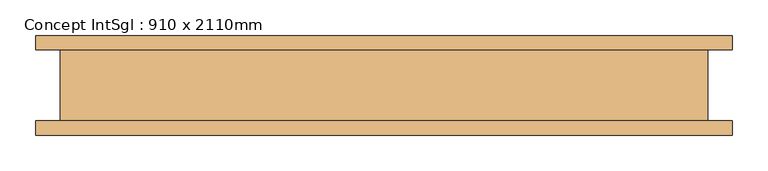
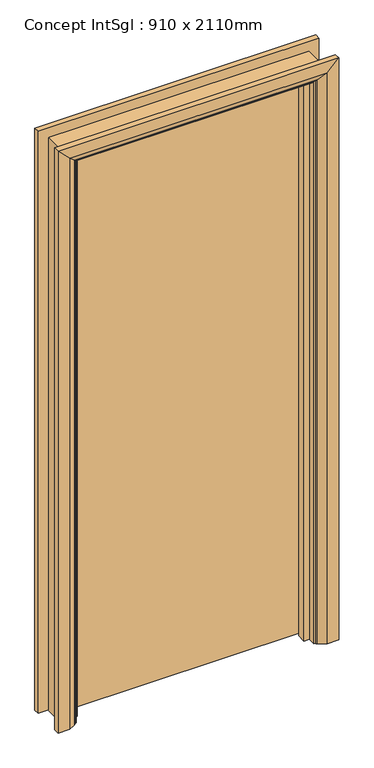
"""IFC4 building model written with IfcOpenShell, lengths in millimetres: door geometry, Concept IntSgl : 910 x 2110mm."""

from ifc_helpers import new_model, si_unit, frame, origin, place, context, project, spatial, polyline, circle_curve, ellipse_curve, outline, extrude, faceted_brep, source, transform, mapped, element, save
from ifc_brep_helpers import plane_surface, cylinder_surface, advanced_brep


def concept_intsgl_910_x_2110mm_a876d99e(model_context):
    return source(origin(), model_context, "Body", "SolidModel", [
        extrude(outline(polyline([(413.0, 12.0), (-413.0, 12.0), (-413.0, 50.0), (413.0, 50.0), (413.0, 12.0)])), frame((0.0, 0.0, 8.0), z_axis=(0.0, 0.0, 1.0), x_axis=(1.0, 0.0, 0.0)), (0.0, 0.0, 1.0), 2060.0),
        advanced_brep(
        [(490.0, 70.0, 0.0), (490.0, 50.0, 0.0), (420.0, 50.0, 0.0), (424.0, 56.0, 0.0), (450.0, 70.0, 0.0), (490.0, 70.0, 2145.0), (490.0, 50.0, 2145.0), (-490.0, 50.0, 2145.0), (-490.0, 50.0, 0.0), (-420.0, 50.0, 0.0), (-420.0, 50.0, 2075.0), (420.0, 50.0, 2075.0), (424.0, 56.0, 2079.0), (450.0, 70.0, 2105.0), (-450.0, 70.0, 2105.0), (-450.0, 70.0, 0.0), (-490.0, 70.0, 0.0), (-490.0, 70.0, 2145.0), (-424.0, 56.0, 0.0), (-424.0, 56.0, 2079.0)],
        [
            (0, 1),
            (1, 2),
            (2, 3, circle_curve(frame((428.0, 49.0, 0.0), z_axis=(0.0, 0.0, -1.0), x_axis=(1.0, 0.0, 0.0)), 8.0622577)),
            (3, 4),
            (4, 0),
            (0, 5),
            (5, 6),
            (6, 1),
            (6, 7),
            (7, 8),
            (8, 9),
            (9, 10),
            (10, 11),
            (11, 2),
            (11, 12, ellipse_curve(frame((428.0, 49.0, 2083.0), z_axis=(0.7071067811865475, 0.0, -0.7071067811865475), x_axis=(-0.7071067811865474, 0.0, -0.7071067811865476)), 11.4017543, 8.0622577)),
            (12, 3),
            (12, 13),
            (13, 4),
            (13, 14),
            (14, 15),
            (15, 16),
            (16, 17),
            (17, 5),
            (7, 17),
            (16, 8),
            (15, 18),
            (18, 9, circle_curve(frame((-428.0, 49.0, 0.0), z_axis=(0.0, 0.0, -1.0), x_axis=(-1.0, 0.0, 0.0)), 8.0622577)),
            (19, 10, ellipse_curve(frame((-428.0, 49.0, 2083.0), z_axis=(-0.7071067811865475, 0.0, -0.7071067811865475), x_axis=(-0.7071067811865474, 0.0, 0.7071067811865476)), 11.4017543, 8.0622577)),
            (18, 19),
            (14, 19),
            (19, 12),
        ],
        [
            plane_surface(frame((420.0, 50.0, 0.0), z_axis=(0.0, 0.0, -1.0), x_axis=(0.0, -1.0, 0.0))),
            plane_surface(frame((490.0, 70.0, 0.0), z_axis=(1.0, 0.0, 0.0), x_axis=(0.0, 0.0, 1.0))),
            plane_surface(frame((490.0, 50.0, 0.0), z_axis=(0.0, -1.0, 0.0), x_axis=(0.0, 0.0, 1.0))),
            cylinder_surface(frame((428.0, 49.0, 0.0), z_axis=(0.0, 0.0, -1.0), x_axis=(1.0, 0.0, 0.0)), 8.0622577),
            plane_surface(frame((424.0, 56.0, 0.0), z_axis=(-0.4740998230350126, 0.880471099922178, 0.0), x_axis=(0.0, 0.0, 1.0))),
            plane_surface(frame((450.0, 70.0, 0.0), z_axis=(0.0, 1.0, 0.0), x_axis=(0.0, 0.0, 1.0))),
            plane_surface(frame((-490.0, 70.0, 2145.0), z_axis=(-1.0, 0.0, 0.0), x_axis=(0.0, 0.0, -1.0))),
            plane_surface(frame((-420.0, 50.0, 0.0), z_axis=(0.0, 0.0, -1.0), x_axis=(0.0, -1.0, 0.0))),
            cylinder_surface(frame((-428.0, 49.0, 2075.0), z_axis=(0.0, 0.0, 1.0), x_axis=(-1.0, 0.0, 0.0)), 8.0622577),
            plane_surface(frame((-424.0, 56.0, 2079.0), z_axis=(0.47409982303501824, 0.8804710999221749, 0.0), x_axis=(0.0, 0.0, -1.0))),
            plane_surface(frame((490.0, 70.0, 2145.0), z_axis=(0.0, 0.0, 1.0), x_axis=(-1.0, 0.0, 0.0))),
            cylinder_surface(frame((420.0, 49.0, 2083.0), z_axis=(1.0, 0.0, 0.0), x_axis=(0.0, 0.0, 1.0)), 8.0622577),
            plane_surface(frame((424.0, 56.0, 2079.0), z_axis=(0.0, 0.8804710999221764, -0.4740998230350154), x_axis=(-1.0, 0.0, 0.0))),
        ],
        [
            (0, [[1, 2, 3, 4, 5]]),
            (1, [[-1, 6, 7, 8]]),
            (2, [[-2, -8, 9, 10, 11, 12, 13, 14]]),
            (3, [[-3, -14, 15, 16]]),
            (4, [[-4, -16, 17, 18]]),
            (5, [[-5, -18, 19, 20, 21, 22, 23, -6]]),
            (6, [[24, -22, 25, -10]]),
            (7, [[-21, 26, 27, -11, -25]]),
            (8, [[28, -12, -27, 29]]),
            (9, [[30, -29, -26, -20]]),
            (10, [[-7, -23, -24, -9]]),
            (11, [[-15, -13, -28, 31]]),
            (12, [[-17, -31, -30, -19]]),
        ],
    ),
        extrude(outline(polyline([(0.0, -415.0), (0.0, -396.0), (2051.0, -396.0), (2051.0, 396.0), (0.0, 396.0), (0.0, 415.0), (2070.0, 415.0), (2070.0, -415.0), (0.0, -415.0)])), frame((0.0, -22.0, 0.0), z_axis=(0.0, 1.0, 0.0), x_axis=(0.0, 0.0, 1.0)), (0.0, 0.0, 1.0), 32.0),
        advanced_brep(
        [(-490.0, -70.0, 0.0), (-490.0, -50.0, 0.0), (-420.0, -50.0, 0.0), (-424.0, -56.0, 0.0), (-450.0, -70.0, 0.0), (-490.0, -70.0, 2145.0), (-490.0, -50.0, 2145.0), (-420.0, -50.0, 2075.0), (-424.0, -56.0, 2079.0), (-450.0, -70.0, 2105.0), (490.0, -70.0, 0.0), (450.0, -70.0, 0.0), (424.0, -56.0, 0.0), (420.0, -50.0, 0.0), (490.0, -50.0, 0.0), (490.0, -70.0, 2145.0), (450.0, -70.0, 2105.0), (424.0, -56.0, 2079.0), (420.0, -50.0, 2075.0), (490.0, -50.0, 2145.0)],
        [
            (0, 1),
            (1, 2),
            (2, 3, circle_curve(frame((-428.0, -49.0, 0.0), z_axis=(0.0, 0.0, -1.0), x_axis=(-1.0, 0.0, 0.0)), 8.0622577)),
            (3, 4),
            (4, 0),
            (0, 5),
            (5, 6),
            (6, 1),
            (6, 7),
            (7, 2),
            (7, 8, ellipse_curve(frame((-428.0, -49.0, 2083.0), z_axis=(-0.7071067811865475, 0.0, -0.7071067811865475), x_axis=(0.7071067811865474, 0.0, -0.7071067811865476)), 11.4017543, 8.0622577)),
            (8, 3),
            (8, 9),
            (9, 4),
            (9, 5),
            (10, 11),
            (11, 12),
            (12, 13, circle_curve(frame((428.0, -49.0, 0.0), z_axis=(0.0, 0.0, -1.0), x_axis=(1.0, 0.0, 0.0)), 8.0622577)),
            (13, 14),
            (14, 10),
            (15, 16),
            (16, 11),
            (10, 15),
            (16, 17),
            (17, 12),
            (17, 18, ellipse_curve(frame((428.0, -49.0, 2083.0), z_axis=(0.7071067811865475, 0.0, -0.7071067811865475), x_axis=(0.7071067811865474, 0.0, 0.7071067811865476)), 11.4017543, 8.0622577)),
            (18, 13),
            (18, 19),
            (19, 14),
            (19, 15),
            (5, 15),
            (19, 6),
            (18, 7),
            (17, 8),
            (16, 9),
        ],
        [
            plane_surface(frame((-420.0, -122.8010989, 0.0), z_axis=(0.0, 0.0, -1.0), x_axis=(1.0, 0.0, 0.0))),
            plane_surface(frame((-490.0, -70.0, 0.0), z_axis=(-1.0, 0.0, 0.0), x_axis=(0.0, 0.0, 1.0))),
            plane_surface(frame((-490.0, -50.0, 0.0), z_axis=(0.0, 1.0, 0.0), x_axis=(0.0, 0.0, 1.0))),
            cylinder_surface(frame((-428.0, -49.0, 0.0), z_axis=(0.0, 0.0, -1.0), x_axis=(-1.0, 0.0, 0.0)), 8.0622577),
            plane_surface(frame((-424.0, -56.0, 0.0), z_axis=(0.4740998230350183, -0.8804710999221749, 0.0), x_axis=(0.0, 0.0, 1.0))),
            plane_surface(frame((-450.0, -70.0, 0.0), z_axis=(0.0, -1.0, 0.0), x_axis=(0.0, 0.0, 1.0))),
            plane_surface(frame((420.0, -122.8010989, 0.0), z_axis=(0.0, 0.0, -1.0), x_axis=(-1.0, 0.0, 0.0))),
            plane_surface(frame((450.0, -70.0, 2105.0), z_axis=(0.0, -1.0, 0.0), x_axis=(0.0, 0.0, -1.0))),
            plane_surface(frame((424.0, -56.0, 2079.0), z_axis=(-0.4740998230350183, -0.8804710999221749, 0.0), x_axis=(0.0, 0.0, -1.0))),
            cylinder_surface(frame((428.0, -49.0, 2075.0), z_axis=(0.0, 0.0, 1.0), x_axis=(1.0, 0.0, 0.0)), 8.0622577),
            plane_surface(frame((490.0, -50.0, 2145.0), z_axis=(0.0, 1.0, 0.0), x_axis=(0.0, 0.0, -1.0))),
            plane_surface(frame((490.0, -70.0, 2145.0), z_axis=(1.0, 0.0, 0.0), x_axis=(0.0, 0.0, -1.0))),
            plane_surface(frame((-490.0, -70.0, 2145.0), z_axis=(0.0, 0.0, 1.0), x_axis=(1.0, 0.0, 0.0))),
            plane_surface(frame((-490.0, -50.0, 2145.0), z_axis=(0.0, 1.0, 0.0), x_axis=(1.0, 0.0, 0.0))),
            cylinder_surface(frame((-420.0, -49.0, 2083.0), z_axis=(-1.0, 0.0, 0.0), x_axis=(0.0, 0.0, 1.0)), 8.0622577),
            plane_surface(frame((-424.0, -56.0, 2079.0), z_axis=(0.0, -0.8804710999221749, -0.4740998230350183), x_axis=(1.0, 0.0, 0.0))),
            plane_surface(frame((-450.0, -70.0, 2105.0), z_axis=(0.0, -1.0, 0.0), x_axis=(1.0, 0.0, 0.0))),
        ],
        [
            (0, [[1, 2, 3, 4, 5]]),
            (1, [[-1, 6, 7, 8]]),
            (2, [[-2, -8, 9, 10]]),
            (3, [[-3, -10, 11, 12]]),
            (4, [[-4, -12, 13, 14]]),
            (5, [[-5, -14, 15, -6]]),
            (6, [[16, 17, 18, 19, 20]]),
            (7, [[21, 22, -16, 23]]),
            (8, [[24, 25, -17, -22]]),
            (9, [[26, 27, -18, -25]]),
            (10, [[28, 29, -19, -27]]),
            (11, [[30, -23, -20, -29]]),
            (12, [[-7, 31, -30, 32]]),
            (13, [[-9, -32, -28, 33]]),
            (14, [[-11, -33, -26, 34]]),
            (15, [[-13, -34, -24, 35]]),
            (16, [[-15, -35, -21, -31]]),
        ],
    ),
        faceted_brep([(-415.0, -50.0, 0.0), (-455.0, -50.0, 0.0), (-455.0, 50.0, 0.0), (-415.0, 50.0, 0.0), (-415.0, -50.0, 2070.0), (-455.0, -50.0, 2110.0), (-455.0, 50.0, 2110.0), (-415.0, 50.0, 2070.0), (415.0, -50.0, 0.0), (415.0, 50.0, 0.0), (455.0, 50.0, 0.0), (455.0, -50.0, 0.0), (415.0, -50.0, 2070.0), (415.0, 50.0, 2070.0), (455.0, 50.0, 2110.0), (455.0, -50.0, 2110.0)], [[[0, 1, 2, 3]], [[1, 0, 4, 5]], [[2, 1, 5, 6]], [[3, 2, 6, 7]], [[0, 3, 7, 4]], [[8, 9, 10, 11]], [[12, 13, 9, 8]], [[13, 14, 10, 9]], [[14, 15, 11, 10]], [[15, 12, 8, 11]], [[5, 4, 12, 15]], [[6, 5, 15, 14]], [[7, 6, 14, 13]], [[4, 7, 13, 12]]]),
    ])


if __name__ == "__main__":
    model = new_model("IFC4")
    model_context = context("Model", 3, world=origin())
    ifc_project = project(units=[si_unit("LENGTHUNIT", "METRE", prefix="MILLI")], contexts=[model_context])
    site = spatial("IfcSite", under=ifc_project)
    building = spatial("IfcBuilding", under=site)
    placement = place(None, origin())
    concept_intsgl_910_x_2110mm_shape = concept_intsgl_910_x_2110mm_a876d99e(model_context)
    element("IfcDoor", 1, ObjectType="Concept IntSgl : 910 x 2110mm", at=placement, inside=building, context=model_context, shape_type="MappedRepresentation", body=[
        mapped(concept_intsgl_910_x_2110mm_shape, transform((0.0, 0.0, 0.0), x_axis=(1.0, 0.0, 0.0), y_axis=(0.0, 1.0, 0.0), z_axis=(0.0, 0.0, 1.0))),
    ])
    save(model, "model.ifc")
